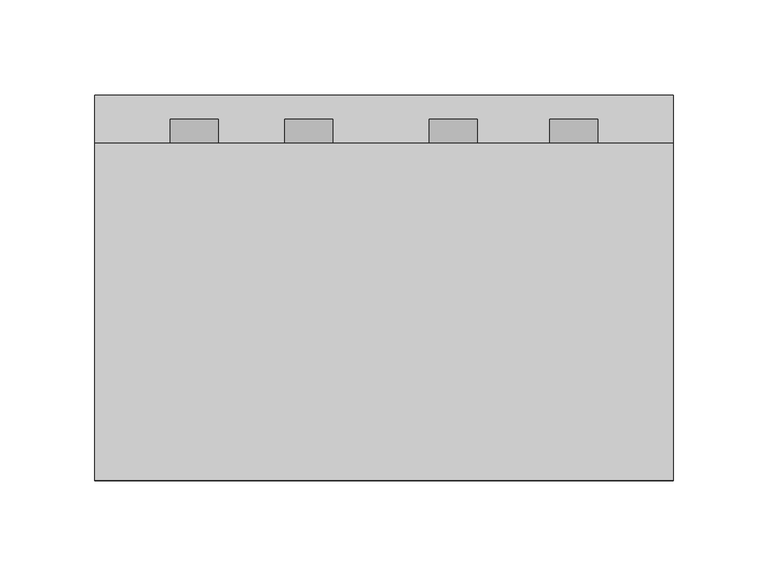
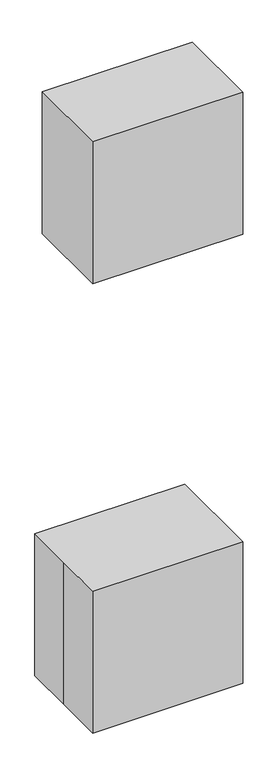
"""IFC4 building model written with IfcOpenShell, lengths in millimetres: proxy geometry."""

from ifc_helpers import new_model, si_unit, point, frame, frame_2d, origin, origin_with_axes, place, context, project, spatial, polyline, circle_curve, trimmed, segment, composite_curve, outline, extrude, faceted_brep, source, transform, mapped, element, save


def specialty_equipment_01cb5a5e(model_context):
    return source(origin(), model_context, "Body", "SolidModel", [
        extrude(outline(composite_curve([segment(trimmed(circle_curve(frame_2d((1006.3587525, 100.0366492)), 12.7), [point((1006.3587525, 112.7366492))], [point((1006.3587525, 87.3366492))], False, "CARTESIAN"), True, "CONTINUOUS"), segment(trimmed(circle_curve(frame_2d((1006.3587525, 100.0366492)), 12.7), [point((1006.3587525, 87.3366492))], [point((1006.3587525, 112.7366492))], False, "CARTESIAN"), True, "CONTINUOUS")], self_intersect=False)), frame((0.0, 76.2, 0.0), z_axis=(0.0, 1.0, 0.0), x_axis=(0.0, 0.0, 1.0)), (0.0, 0.0, 1.0), 12.7),
        extrude(outline(composite_curve([segment(trimmed(circle_curve(frame_2d((1006.3587525, -39.7116492)), 12.7), [point((1006.3587525, -52.4116492))], [point((1006.3587525, -27.0116492))], False, "CARTESIAN"), True, "CONTINUOUS"), segment(trimmed(circle_curve(frame_2d((1006.3587525, -39.7116492)), 12.7), [point((1006.3587525, -27.0116492))], [point((1006.3587525, -52.4116492))], False, "CARTESIAN"), True, "CONTINUOUS")], self_intersect=False)), frame((0.0, 76.2, 0.0), z_axis=(0.0, 1.0, 0.0), x_axis=(0.0, 0.0, 1.0)), (0.0, 0.0, 1.0), 12.7),
        extrude(outline(composite_curve([segment(trimmed(circle_curve(frame_2d((1006.3587525, -100.0366492)), 12.7), [point((1006.3587525, -112.7366492))], [point((1006.3587525, -87.3366492))], False, "CARTESIAN"), True, "CONTINUOUS"), segment(trimmed(circle_curve(frame_2d((1006.3587525, -100.0366492)), 12.7), [point((1006.3587525, -87.3366492))], [point((1006.3587525, -112.7366492))], False, "CARTESIAN"), True, "CONTINUOUS")], self_intersect=False)), frame((0.0, 76.2, 0.0), z_axis=(0.0, 1.0, 0.0), x_axis=(0.0, 0.0, 1.0)), (0.0, 0.0, 1.0), 12.7),
        extrude(outline(composite_curve([segment(trimmed(circle_curve(frame_2d((1006.3587525, 36.4883508)), 12.7), [point((1006.3587525, 23.7883508))], [point((1006.3587525, 49.1883508))], False, "CARTESIAN"), True, "CONTINUOUS"), segment(trimmed(circle_curve(frame_2d((1006.3587525, 36.4883508)), 12.7), [point((1006.3587525, 49.1883508))], [point((1006.3587525, 23.7883508))], False, "CARTESIAN"), True, "CONTINUOUS")], self_intersect=False)), frame((0.0, 76.2, 0.0), z_axis=(0.0, 1.0, 0.0), x_axis=(0.0, 0.0, 1.0)), (0.0, 0.0, 1.0), 12.7),
        extrude(outline(polyline([(109.187649, 76.2), (109.187649, 69.85), (-106.712351, 69.85), (-106.712351, 76.2), (109.187649, 76.2)])), frame((0.0, 0.0, 1046.2028485), z_axis=(0.0, 0.0, 1.0), x_axis=(1.0, 0.0, 0.0)), (0.0, 0.0, 1.0), 184.15),
        faceted_brep([(152.4, 76.2, 1270.0), (152.4, 76.2, 965.2), (-152.4, 76.2, 965.2), (-152.4, 76.2, 1270.0), (-106.712351, 76.2, 1230.3528485), (-106.712351, 76.2, 1046.2028485), (109.187649, 76.2, 1046.2028485), (109.187649, 76.2, 1230.3528485), (152.4, -101.6, 1270.0), (-152.4, -101.6, 1270.0), (-152.4, -101.6, 965.2), (152.4, -101.6, 965.2), (109.187649, 63.5, 1230.3528485), (109.187649, 63.5, 1046.2028485), (-106.712351, 63.5, 1046.2028485), (-106.712351, 63.5, 1230.3528485)], [[[0, 1, 2, 3], [4, 5, 6, 7]], [[8, 9, 10, 11]], [[3, 9, 8, 0]], [[2, 10, 9, 3]], [[1, 11, 10, 2]], [[0, 8, 11, 1]], [[12, 13, 14, 15]], [[15, 4, 7, 12]], [[14, 5, 4, 15]], [[13, 6, 5, 14]], [[12, 7, 6, 13]]]),
        extrude(outline(polyline([(-152.4, -101.6), (-152.4, 0.0), (-152.4, 101.6), (152.4, 101.6), (152.4, -101.6), (-152.4, -101.6)])), origin_with_axes(), (0.0, 0.0, 1.0), 304.8),
    ])


if __name__ == "__main__":
    model = new_model("IFC4")
    model_context = context("Model", 3, world=origin())
    ifc_project = project(units=[si_unit("LENGTHUNIT", "METRE", prefix="MILLI")], contexts=[model_context])
    site = spatial("IfcSite", under=ifc_project)
    building = spatial("IfcBuilding", under=site)
    placement = place(None, origin())
    specialty_equipment_shape = specialty_equipment_01cb5a5e(model_context)
    element("IfcBuildingElementProxy", 1, Name="Specialty Equipment", at=placement, inside=building, context=model_context, shape_type="MappedRepresentation", body=[
        mapped(specialty_equipment_shape, transform((0.0, 0.0, 0.0), x_axis=(1.0, 0.0, 0.0), y_axis=(0.0, 1.0, 0.0), z_axis=(0.0, 0.0, 1.0))),
    ])
    save(model, "model.ifc")
